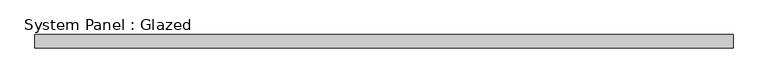
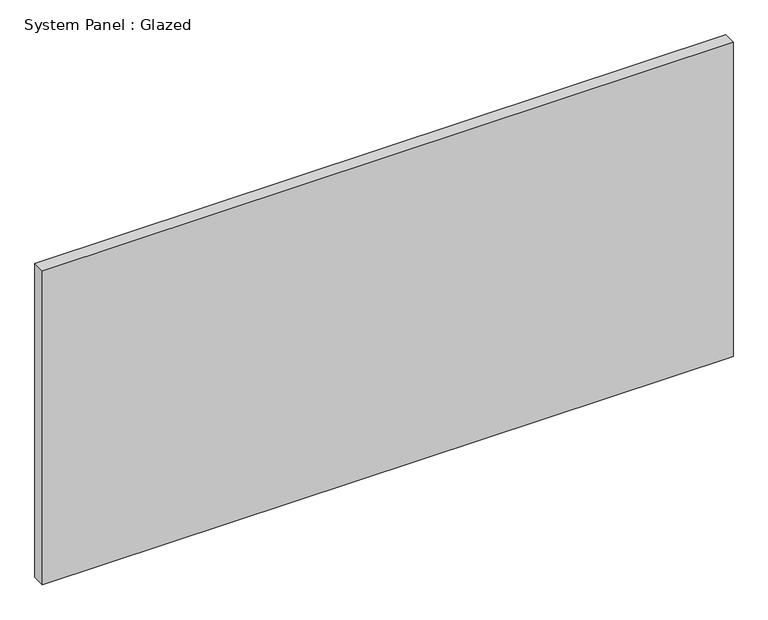
"""IFC4 building model written with IfcOpenShell, lengths in millimetres: plate geometry, System Panel : Glazed."""

from ifc_helpers import new_model, si_unit, origin, origin_with_axes, place, context, project, spatial, polyline, outline, extrude, source, transform, mapped, element, save


def system_panel_glazed_4e52022a(model_context):
    return source(origin(), model_context, "Body", "SweptSolid", [
        extrude(outline(polyline([(673.1000002, 19.05), (-673.1000002, 19.05), (-673.1000002, 44.45), (673.1000002, 44.45), (673.1000002, 19.05)])), origin_with_axes(), (0.0, 0.0, 1.0), 647.7),
    ])


if __name__ == "__main__":
    model = new_model("IFC4")
    model_context = context("Model", 3, world=origin())
    ifc_project = project(units=[si_unit("LENGTHUNIT", "METRE", prefix="MILLI")], contexts=[model_context])
    site = spatial("IfcSite", under=ifc_project)
    building = spatial("IfcBuilding", under=site)
    placement = place(None, origin())
    system_panel_glazed_shape = system_panel_glazed_4e52022a(model_context)
    element("IfcPlate", 1, ObjectType="System Panel : Glazed", at=placement, inside=building, context=model_context, shape_type="MappedRepresentation", body=[
        mapped(system_panel_glazed_shape, transform((0.0, 0.0, 0.0), x_axis=(1.0, 0.0, 0.0), y_axis=(0.0, 1.0, 0.0), z_axis=(0.0, 0.0, 1.0))),
    ])
    save(model, "model.ifc")
